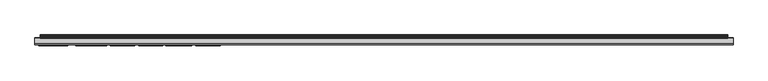
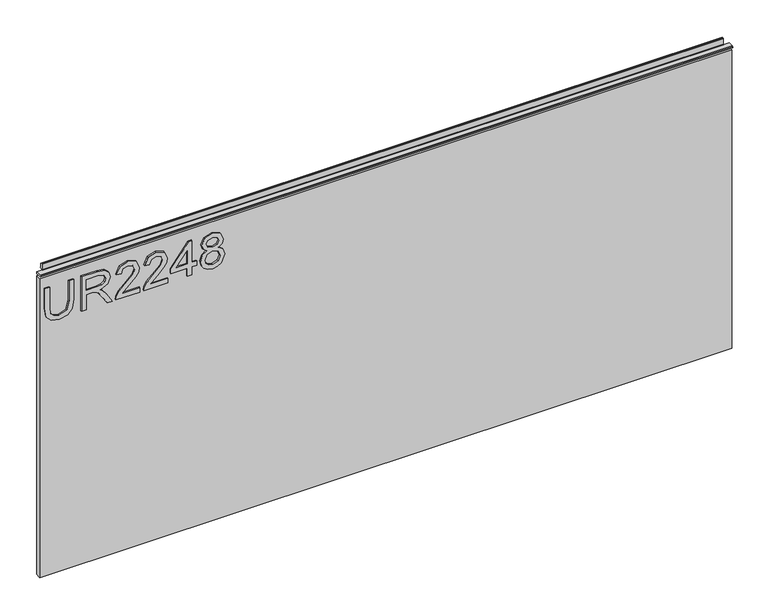
"""IFC4 building model written with IfcOpenShell, lengths in millimetres: furniture geometry."""

from ifc_helpers import new_model, si_unit, frame, origin, place, context, project, spatial, polyline, outline, extrude, source, transform, mapped, element, save


def furniture_8794044e(model_context):
    return source(origin(), model_context, "Body", "SweptSolid", [
        extrude(outline(polyline([(1396.1975569, -249.406548), (1359.6772981, -249.406548), (1343.5741222, -253.4401289), (1339.3848047, -266.9425017), (1341.5028239, -276.3178517), (1347.5220478, -281.7219156), (1359.6772981, -283.2948564), (1396.1975569, -283.2948564), (1396.1975569, -291.268576), (1359.3969721, -291.268576), (1343.4261723, -288.8468702), (1334.4946719, -280.7641349), (1331.411085, -266.1949655), (1334.9540952, -251.3999779), (1344.1425612, -243.5975687), (1359.3969721, -241.4328284), (1396.1975569, -241.4328284), (1396.1975569, -249.406548)])), frame((0.0, -6.7767932, 0.0), z_axis=(0.0, 1.0, 0.0), x_axis=(0.0, 0.0, 1.0)), (0.0, 0.0, 1.0), 2.38125),
        extrude(outline(polyline([(1332.4078, -227.4788191), (1332.4078, -219.5050995), (1360.3158187, -219.5050995), (1360.3158187, -209.8805707), (1360.0354926, -205.2551904), (1358.5170596, -201.4630015), (1354.38225, -197.2503234), (1345.6298468, -191.25446), (1332.4078, -182.9536933), (1332.4078, -173.687359), (1349.694575, -184.3241764), (1357.9018996, -190.7872499), (1361.3125336, -195.3191882), (1367.2461023, -181.9647652), (1378.7394716, -177.6430715), (1388.3873609, -180.2516614), (1394.4766663, -187.2286661), (1396.1975569, -199.9912895), (1396.1975569, -227.4788191), (1332.4078, -227.4788191)]), holes=[polyline([(1368.2895383, -219.5050995), (1388.2238373, -219.5050995), (1388.2238373, -199.6486688), (1385.4672975, -188.9884909), (1378.4435719, -185.6167911), (1373.0317211, -187.3844028), (1369.4186294, -192.5548616), (1368.2895383, -201.6576724), (1368.2895383, -219.5050995)])]), frame((0.0, -6.7767932, 0.0), z_axis=(0.0, 1.0, 0.0), x_axis=(0.0, 0.0, 1.0)), (0.0, 0.0, 1.0), 2.38125),
        extrude(outline(polyline([(1340.3815196, -125.813894), (1340.3815196, -157.1325466), (1344.4384609, -153.5350286), (1352.108494, -144.3621363), (1363.0334243, -132.9388485), (1370.8514072, -128.227813), (1378.4124245, -126.8106089), (1391.0893928, -132.0667229), (1396.1975569, -146.3399925), (1391.603324, -160.5665411), (1378.2566878, -166.679207), (1377.2599729, -158.7054874), (1385.3115608, -155.3493613), (1388.2238373, -146.5113029), (1385.2414793, -138.031439), (1377.9296407, -134.7843285), (1368.8969115, -138.2261098), (1355.61257, -151.9932351), (1346.3695962, -161.9759583), (1337.9053059, -166.81937), (1332.4078, -167.675922), (1332.4078, -125.813894), (1340.3815196, -125.813894)])), frame((0.0, -6.7767932, 0.0), z_axis=(0.0, 1.0, 0.0), x_axis=(0.0, 0.0, 1.0)), (0.0, 0.0, 1.0), 2.38125),
        extrude(outline(polyline([(1340.3815196, -76.9748613), (1340.3815196, -108.2935139), (1344.4384609, -104.6959959), (1352.108494, -95.5231036), (1363.0334243, -84.0998158), (1370.8514072, -79.3887803), (1378.4124245, -77.9715762), (1391.0893928, -83.2276903), (1396.1975569, -97.5009598), (1391.603324, -111.7275084), (1378.2566878, -117.8401743), (1377.2599729, -109.8664547), (1385.3115608, -106.5103286), (1388.2238373, -97.6722702), (1385.2414793, -89.1924063), (1377.9296407, -85.9452959), (1368.8969115, -89.3870772), (1355.61257, -103.1542025), (1346.3695962, -113.1369257), (1337.9053059, -117.9803374), (1332.4078, -118.8368893), (1332.4078, -76.9748613), (1340.3815196, -76.9748613)])), frame((0.0, -6.7767932, 0.0), z_axis=(0.0, 1.0, 0.0), x_axis=(0.0, 0.0, 1.0)), (0.0, 0.0, 1.0), 2.38125),
        extrude(outline(polyline([(1332.4078, -43.0865529), (1332.4078, -35.1128333), (1347.3585243, -35.1128333), (1347.3585243, -27.1391137), (1355.3322439, -27.1391137), (1355.3322439, -35.1128333), (1395.200842, -35.1128333), (1395.200842, -41.093123), (1355.3322439, -71.9912865), (1347.3585243, -71.9912865), (1347.3585243, -43.0865529), (1332.4078, -43.0865529)]), holes=[polyline([(1355.3322439, -43.0865529), (1355.3322439, -62.1798737), (1379.9697916, -43.0865529), (1355.3322439, -43.0865529)])]), frame((0.0, -6.7767932, 0.0), z_axis=(0.0, 1.0, 0.0), x_axis=(0.0, 0.0, 1.0)), (0.0, 0.0, 1.0), 2.38125),
        extrude(outline(polyline([(1367.5420021, -8.5441504), (1361.7485964, -17.1408168), (1351.1896474, -20.162109), (1343.4320125, -18.7215444), (1337.0721145, -14.3998507), (1332.8263424, -7.7265326), (1331.411085, 0.768905), (1332.8205023, 9.2643426), (1337.048754, 15.9376607), (1350.971616, 21.699919), (1361.2891731, 18.7954293), (1367.5420021, 10.3155654), (1372.471069, 17.3782252), (1379.9853653, 19.7064891), (1391.4787346, 14.4737356), (1396.1975569, 0.6598893), (1391.5877503, -13.0293676), (1380.2033967, -18.1686791), (1372.4944295, -15.8092679), (1367.5420021, -8.5441504)]), holes=[polyline([(1379.9697916, -10.1949595), (1385.7943446, -7.3216172), (1388.2238373, 0.768905), (1385.7398368, 8.8360666), (1379.6115972, 11.7327695), (1373.6936022, 8.9295087), (1371.2796831, 0.862347), (1373.7091758, -7.3683382), (1379.9697916, -10.1949595)]), polyline([(1351.4699735, -12.1883894), (1359.9264769, -8.8166896), (1363.3059635, 0.5664473), (1359.8797559, 10.2221234), (1351.2207947, 13.7261994), (1342.7253571, 10.3311391), (1339.3848047, 0.8311997), (1340.9733191, -6.145805), (1345.4663232, -10.8568405), (1351.4699735, -12.1883894)])]), frame((0.0, -6.7767932, 0.0), z_axis=(0.0, 1.0, 0.0), x_axis=(0.0, 0.0, 1.0)), (0.0, 0.0, 1.0), 2.38125),
        extrude(outline(polyline([(5.5562561, 1422.4), (6.3500061, 1422.4), (6.3500061, 1432.27425), (7.1437561, 1433.068), (8.6677569, 1433.068), (10.0084363, 1432.6506926), (10.875413, 1431.5461816), (10.9623604, 1430.1447591), (10.2390011, 1427.1863459), (10.4046103, 1425.9833307), (11.6746103, 1423.7836103), (10.7786383, 1423.2663244), (7.1437561, 1423.2663244), (7.1437561, 1422.4), (6.3500061, 1422.1669239), (6.3500061, 1414.9578), (5.5562561, 1414.9578), (5.5562561, 1422.4)])), frame((-288.671, 0.0, 0.0), z_axis=(1.0, 0.0, 0.0), x_axis=(0.0, 1.0, 0.0)), (0.0, 0.0, 1.0), 1186.942),
        extrude(outline(polyline([(5.5562561, 1422.4), (5.5562561, 1419.2249996), (-3.975094, 1419.2249996), (-5.3492339, 1420.0183657), (-5.3492339, 1421.6066395), (-3.9751037, 1422.4), (5.5562561, 1422.4)])), frame((-298.196, 0.0, 0.0), z_axis=(1.0, 0.0, 0.0), x_axis=(0.0, 1.0, 0.0)), (0.0, 0.0, 1.0), 1205.992),
        extrude(outline(polyline([(907.796, 6.3500061), (907.796, -3.1749939), (-298.196, -3.1749939), (-298.196, 6.3500061), (907.796, 6.3500061)])), frame((0.0, 0.0, 864.4381927), z_axis=(0.0, 0.0, 1.0), x_axis=(1.0, 0.0, 0.0)), (0.0, 0.0, 1.0), 550.5196073),
    ])


if __name__ == "__main__":
    model = new_model("IFC4")
    model_context = context("Model", 3, world=origin())
    ifc_project = project(units=[si_unit("LENGTHUNIT", "METRE", prefix="MILLI")], contexts=[model_context])
    site = spatial("IfcSite", under=ifc_project)
    building = spatial("IfcBuilding", under=site)
    placement = place(None, origin())
    furniture_shape = furniture_8794044e(model_context)
    element("IfcFurniture", 1, at=placement, inside=building, context=model_context, shape_type="MappedRepresentation", body=[
        mapped(furniture_shape, transform((0.0, 0.0, 0.0), x_axis=(1.0, 0.0, 0.0), y_axis=(0.0, 1.0, 0.0), z_axis=(0.0, 0.0, 1.0))),
    ])
    save(model, "model.ifc")
